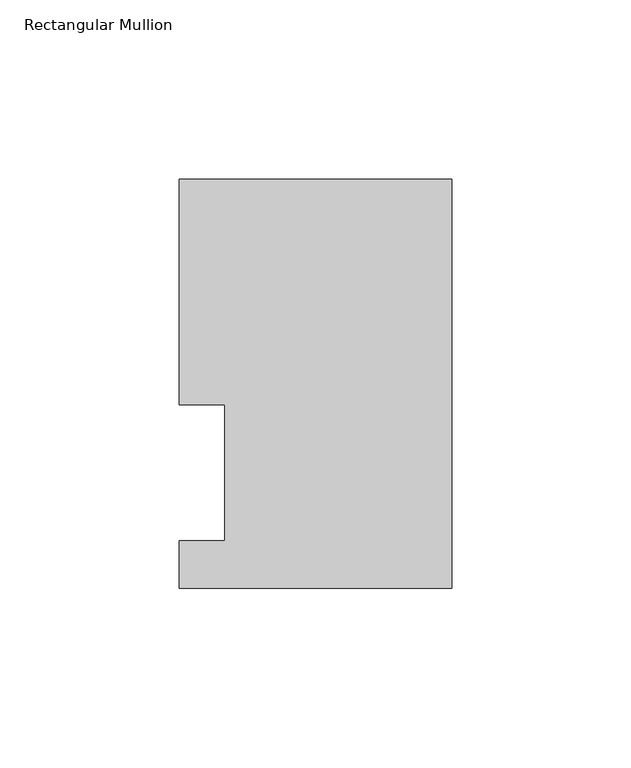
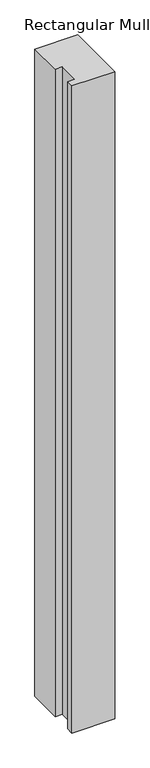
"""IFC4 building model written with IfcOpenShell, lengths in millimetres: member geometry, Rectangular Mullion."""

from ifc_helpers import new_model, si_unit, frame, origin, place, context, project, spatial, polyline, outline, extrude, source, transform, mapped, element, save


def rectangular_mullion_eb5216bc(model_context):
    return source(origin(), model_context, "Body", "SweptSolid", [
        extrude(outline(polyline([(0.0, 115.5779375), (0.0, 1.2982575), (-76.1999994, 1.2982575), (-76.1999994, 14.4859375), (-63.5, 14.4859375), (-63.5, 52.5859375), (-76.1991956, 52.5859375), (-76.1991956, 115.5779375), (0.0, 115.5779375)])), frame((0.0, 0.0, -1219.2), z_axis=(0.0, 0.0, 1.0), x_axis=(1.0, 0.0, 0.0)), (0.0, 0.0, 1.0), 1219.2),
    ])


if __name__ == "__main__":
    model = new_model("IFC4")
    model_context = context("Model", 3, world=origin())
    ifc_project = project(units=[si_unit("LENGTHUNIT", "METRE", prefix="MILLI")], contexts=[model_context])
    site = spatial("IfcSite", under=ifc_project)
    building = spatial("IfcBuilding", under=site)
    placement = place(None, origin())
    rectangular_mullion_shape = rectangular_mullion_eb5216bc(model_context)
    element("IfcMember", 1, ObjectType="Rectangular Mullion", at=placement, inside=building, context=model_context, shape_type="MappedRepresentation", body=[
        mapped(rectangular_mullion_shape, transform((0.0, 0.0, 0.0), x_axis=(1.0, 0.0, 0.0), y_axis=(0.0, 1.0, 0.0), z_axis=(0.0, 0.0, 1.0))),
    ])
    save(model, "model.ifc")
